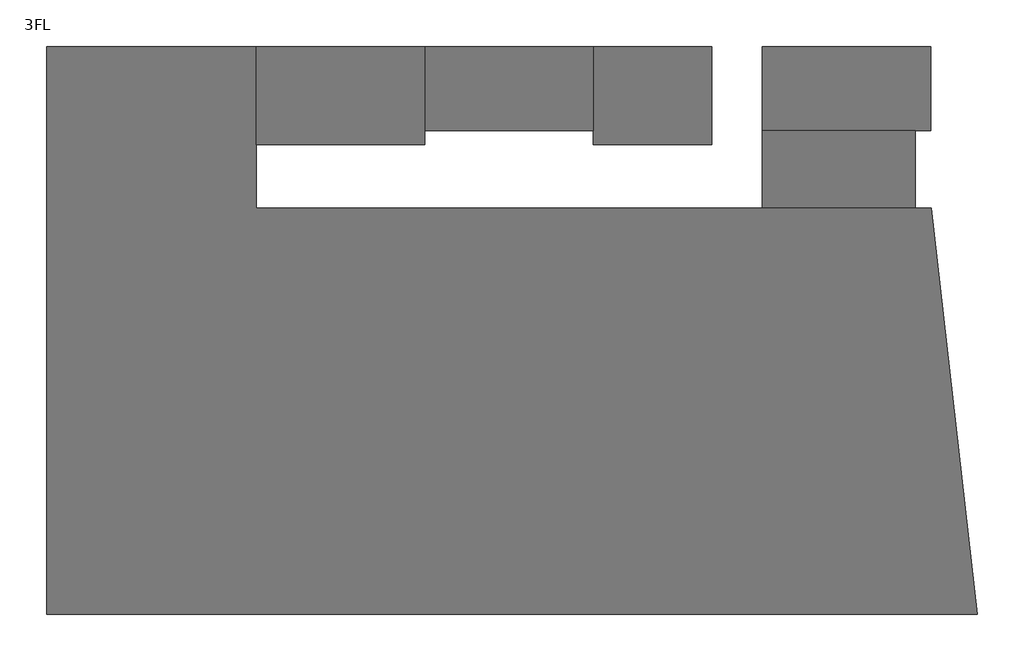
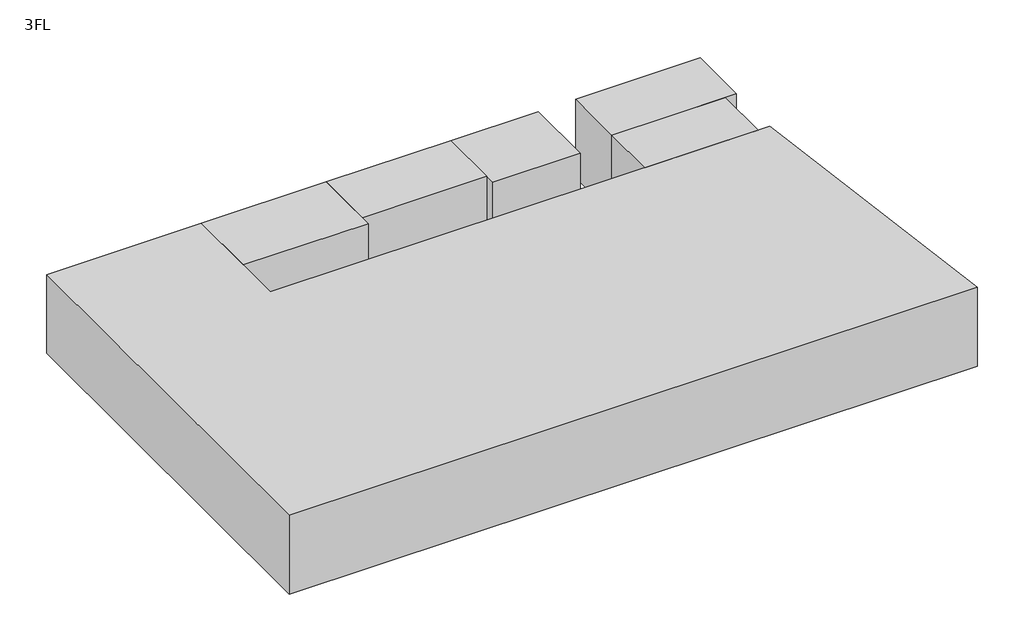
# One storey: 6 proxies.
"""IFC4 building model written with IfcOpenShell, lengths in millimetres."""

from ifc_helpers import new_model, si_unit, frame, origin, place, context, project, spatial, polyline, outline, extrude, element, save

model = new_model("IFC4")

# Units and contexts
model_context = context("Model", 3, world=origin())
ifc_project = project(units=[si_unit("LENGTHUNIT", "METRE", prefix="MILLI")], contexts=[model_context])

# Site, building, storey
site = spatial("IfcSite", under=ifc_project)
building = spatial("IfcBuilding", under=site)
storey = spatial("IfcBuildingStorey", under=building, Name="3FL", Elevation=8600.0)

# Proxies
placement = place(None, origin())
element("IfcBuildingElementProxy", 1, Name="Mass", at=placement, inside=storey, context=model_context, shape_type="SweptSolid", body=[
    extrude(outline(polyline([(-28845.9784025, -3550.3131013), (-28845.9784025, 16649.6868987), (-21395.9784025, 16649.6868987), (-21395.9784025, 10899.6868987), (2610.5310234, 10899.6868987), (4261.9595949, -3550.3131013), (-28845.9784025, -3550.3131013)])), frame((0.0, 0.0, 8600.0), z_axis=(0.0, 0.0, 1.0), x_axis=(1.0, 0.0, 0.0)), (0.0, 0.0, 1.0), 4000.0),
])
element("IfcBuildingElementProxy", 2, Name="Mass", at=placement, inside=storey, context=model_context, shape_type="SweptSolid", body=[
    extrude(outline(polyline([(-9395.9784025, 16649.6868987), (-9395.9784025, 13649.6868987), (-15395.9784025, 13649.6868987), (-15395.9784025, 16649.6868987), (-9395.9784025, 16649.6868987)])), frame((0.0, 0.0, 8600.0), z_axis=(0.0, 0.0, 1.0), x_axis=(1.0, 0.0, 0.0)), (0.0, 0.0, 1.0), 4000.0),
])
element("IfcBuildingElementProxy", 3, Name="Mass", at=placement, inside=storey, context=model_context, shape_type="SweptSolid", body=[
    extrude(outline(polyline([(-15395.9784025, 16649.6868987), (-15395.9784025, 13149.6868987), (-21395.9784025, 13149.6868987), (-21395.9784025, 16649.6868987), (-15395.9784025, 16649.6868987)])), frame((0.0, 0.0, 8600.0), z_axis=(0.0, 0.0, 1.0), x_axis=(1.0, 0.0, 0.0)), (0.0, 0.0, 1.0), 4000.0),
])
element("IfcBuildingElementProxy", 4, Name="Mass", at=placement, inside=storey, context=model_context, shape_type="SweptSolid", body=[
    extrude(outline(polyline([(2604.0215975, 16649.6868987), (2604.0215975, 13649.6868987), (-3395.9784025, 13649.6868987), (-3395.9784025, 16649.6868987), (2604.0215975, 16649.6868987)])), frame((0.0, 0.0, 8600.0), z_axis=(0.0, 0.0, 1.0), x_axis=(1.0, 0.0, 0.0)), (0.0, 0.0, 1.0), 4000.0),
])
element("IfcBuildingElementProxy", 5, Name="Mass", at=placement, inside=storey, context=model_context, shape_type="SweptSolid", body=[
    extrude(outline(polyline([(-5195.9784025, 16649.6868987), (-5195.9784025, 13149.6868987), (-9395.9784025, 13149.6868987), (-9395.9784025, 16649.6868987), (-5195.9784025, 16649.6868987)])), frame((0.0, 0.0, 8600.0), z_axis=(0.0, 0.0, 1.0), x_axis=(1.0, 0.0, 0.0)), (0.0, 0.0, 1.0), 4000.0),
])
element("IfcBuildingElementProxy", 6, Name="Mass", at=placement, inside=storey, context=model_context, shape_type="SweptSolid", body=[
    extrude(outline(polyline([(2054.0215975, 13649.6868987), (2054.0215975, 10899.6868987), (-3395.9784025, 10899.6868987), (-3395.9784025, 13649.6868987), (2054.0215975, 13649.6868987)])), frame((0.0, 0.0, 8600.0), z_axis=(0.0, 0.0, 1.0), x_axis=(1.0, 0.0, 0.0)), (0.0, 0.0, 1.0), 4000.0),
])

save(model, "model.ifc")
